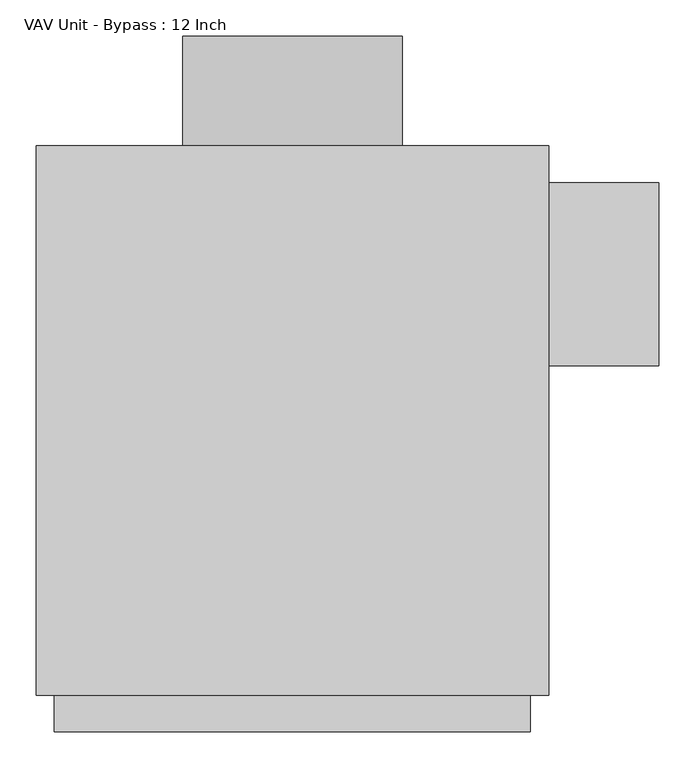
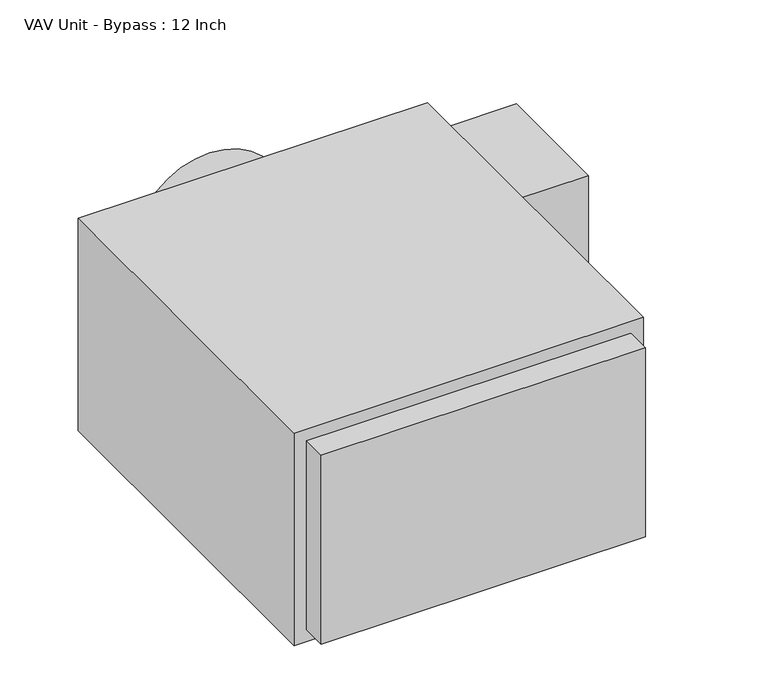
"""IFC4 building model written with IfcOpenShell, lengths in millimetres: proxy geometry, VAV Unit - Bypass : 12 Inch."""

from ifc_helpers import new_model, si_unit, point, frame, origin, origin_2d, place, context, project, spatial, polyline, circle_curve, trimmed, segment, composite_curve, outline, extrude, source, transform, mapped, element, save


def vav_unit_bypass_12_inch_74ab3f6c(model_context):
    return source(origin(), model_context, "Body", "SweptSolid", [
        extrude(outline(polyline([(508.0, 330.2), (508.0, 76.2), (355.6, 76.2), (355.6, 330.2), (508.0, 330.2)])), frame((0.0, 0.0, -203.2), z_axis=(0.0, 0.0, 1.0), x_axis=(1.0, 0.0, 0.0)), (0.0, 0.0, 1.0), 406.4),
        extrude(outline(composite_curve([segment(trimmed(circle_curve(origin_2d(), 152.4), [point((0.0, -152.4))], [point((0.0, 152.4))], False, "CARTESIAN"), True, "CONTINUOUS"), segment(trimmed(circle_curve(origin_2d(), 152.4), [point((0.0, 152.4))], [point((0.0, -152.4))], False, "CARTESIAN"), True, "CONTINUOUS")], self_intersect=False)), frame((0.0, 381.0, 0.0), z_axis=(0.0, 1.0, 0.0), x_axis=(0.0, 0.0, 1.0)), (0.0, 0.0, 1.0), 152.4),
        extrude(outline(polyline([(330.2, -431.8), (-330.2, -431.8), (-330.2, -381.0), (330.2, -381.0), (330.2, -431.8)])), frame((0.0, 0.0, -203.2), z_axis=(0.0, 0.0, 1.0), x_axis=(1.0, 0.0, 0.0)), (0.0, 0.0, 1.0), 406.4),
        extrude(outline(polyline([(355.6, -381.0), (-355.6, -381.0), (-355.6, 381.0), (355.6, 381.0), (355.6, -381.0)])), frame((0.0, 0.0, -228.6), z_axis=(0.0, 0.0, 1.0), x_axis=(1.0, 0.0, 0.0)), (0.0, 0.0, 1.0), 457.2),
    ])


if __name__ == "__main__":
    model = new_model("IFC4")
    model_context = context("Model", 3, world=origin())
    ifc_project = project(units=[si_unit("LENGTHUNIT", "METRE", prefix="MILLI")], contexts=[model_context])
    site = spatial("IfcSite", under=ifc_project)
    building = spatial("IfcBuilding", under=site)
    placement = place(None, origin())
    vav_unit_bypass_12_inch_shape = vav_unit_bypass_12_inch_74ab3f6c(model_context)
    element("IfcBuildingElementProxy", 1, Name="VAV Unit - Bypass : 12 Inch", ObjectType="VAV Unit - Bypass : 12 Inch", at=placement, inside=building, context=model_context, shape_type="MappedRepresentation", body=[
        mapped(vav_unit_bypass_12_inch_shape, transform((0.0, 0.0, 0.0), x_axis=(1.0, 0.0, 0.0), y_axis=(0.0, 1.0, 0.0), z_axis=(0.0, 0.0, 1.0))),
    ])
    save(model, "model.ifc")
